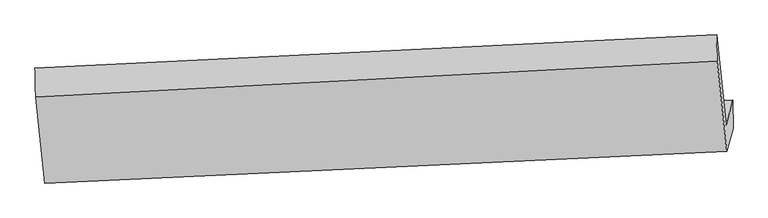
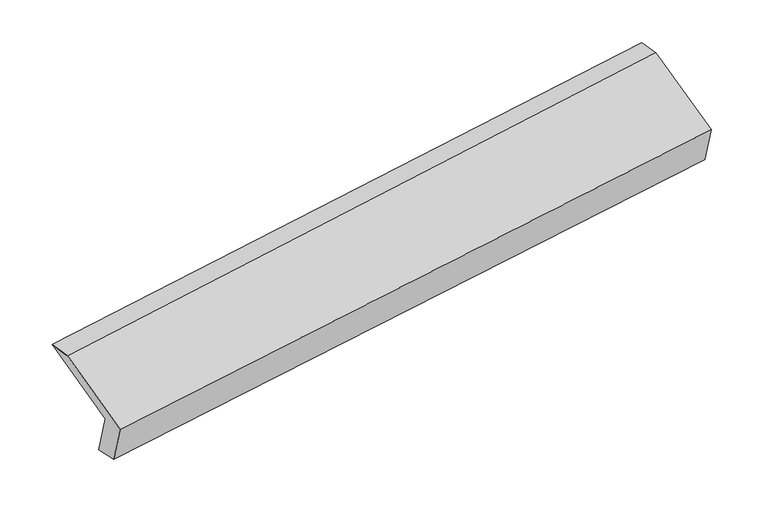
"""IFC4 building model written with IfcOpenShell, lengths in millimetres: proxy geometry."""

from ifc_helpers import new_model, si_unit, frame, origin, place, context, project, spatial, source, transform, mapped, element, save
from ifc_brep_helpers import plane_surface, spline_surface, advanced_brep


def generic_models_27a0fff2(model_context):
    return source(origin(), model_context, "Body", "AdvancedBrep", [
        advanced_brep(
        [(-5175.6202235, -1609.6688713, 1232.2667324), (-5221.0533012, -1777.7468521, 1604.6044951), (-491.9728875, -1564.9282898, 2288.7605705), (-445.4344762, -1392.7611688, 1907.3642666), (-5172.5572956, -1806.7637066, 1271.6998758), (-443.6689393, -1589.1930671, 1955.7385439), (-5216.8850398, -1970.7525471, 1634.9790972), (-487.1985924, -1750.2293992, 2312.477168), (-5280.2744803, -1373.3868132, 1896.902702), (-553.8917432, -1121.7303508, 2588.0516226), (-5285.4100201, -1171.2657357, 1870.5248705), (-558.2641632, -940.2164085, 2562.6744871)],
        [
            (0, 1),
            (1, 2),
            (2, 3),
            (3, 0),
            (4, 0),
            (3, 5),
            (5, 4),
            (6, 4),
            (5, 7),
            (7, 6),
            (8, 6),
            (7, 9),
            (9, 8),
            (10, 8),
            (9, 11),
            (11, 10),
            (1, 10),
            (11, 2),
        ],
        [
            plane_surface(frame((-5198.3367624, -1693.7078617, 1418.4356138), z_axis=(-0.09879567749157003, 0.9114454225128464, 0.3993828437594191), x_axis=(-0.11053335199449678, -0.40891402328492843, 0.9058541271406747))),
            spline_surface(1, 1, [[(-5172.5572956, -1806.7637066, 1271.6998758), (-443.6689393, -1589.1930671, 1955.7385439)], [(-5175.6202235, -1609.6688713, 1232.2667324), (-445.4344762, -1392.7611688, 1907.3642666)]], [2, 2], [2, 2], [0.0, 1.0], [0.0, 1.0]),
            plane_surface(frame((-5194.7211677, -1888.7581269, 1453.3394865), z_axis=(0.09968540247448673, -0.9114042524980153, -0.3992556938379634), x_axis=(0.11053335199453929, 0.40891402328493237, -0.9058541271406678))),
            plane_surface(frame((-5248.5797601, -1672.0696801, 1765.9408996), z_axis=(-0.11068872714403177, -0.4089208423791852, 0.9058320762432361), x_axis=(0.09672784341392258, -0.9115382433260374, -0.3996770637184145))),
            spline_surface(1, 1, [[(-5285.4100201, -1171.2657357, 1870.5248705), (-558.2641632, -940.2164085, 2562.6744871)], [(-5280.2744803, -1373.3868132, 1896.902702), (-553.8917432, -1121.7303508, 2588.0516226)]], [2, 2], [2, 2], [0.0, 1.0], [0.0, 1.0]),
            plane_surface(frame((-5253.2316607, -1474.5062939, 1737.5646828), z_axis=(0.11260115589943417, 0.40900395817121765, -0.9055588009016247), x_axis=(-0.096727843413918, 0.9115382433260413, 0.3996770637184069))),
            plane_surface(frame((-496.7384669, -1393.1764474, 2269.1777764), z_axis=(0.9891542359032505, 0.043443670597786616, 0.14030874912010294), x_axis=(0.09672784341392258, -0.9115382433260374, -0.3996770637184145))),
            plane_surface(frame((-5225.3000601, -1618.2640877, 1585.1629622), z_axis=(-0.9891542359032587, -0.043443670597775604, -0.14030874912004937), x_axis=(0.11053335199449514, 0.40891402328492776, -0.9058541271406754))),
        ],
        [
            (0, [[1, 2, 3, 4]]),
            (1, [[5, -4, 6, 7]]),
            (2, [[8, -7, 9, 10]]),
            (3, [[11, -10, 12, 13]]),
            (4, [[14, -13, 15, 16]]),
            (5, [[17, -16, 18, -2]]),
            (6, [[-12, -9, -6, -3, -18, -15]]),
            (7, [[-1, -5, -8, -11, -14, -17]]),
        ],
    ),
    ])


if __name__ == "__main__":
    model = new_model("IFC4")
    model_context = context("Model", 3, world=origin())
    ifc_project = project(units=[si_unit("LENGTHUNIT", "METRE", prefix="MILLI")], contexts=[model_context])
    site = spatial("IfcSite", under=ifc_project)
    building = spatial("IfcBuilding", under=site)
    placement = place(None, origin())
    generic_models_shape = generic_models_27a0fff2(model_context)
    element("IfcBuildingElementProxy", 1, Name="Generic Models", at=placement, inside=building, context=model_context, shape_type="MappedRepresentation", body=[
        mapped(generic_models_shape, transform((0.0, 0.0, 0.0), x_axis=(1.0, 0.0, 0.0), y_axis=(0.0, 1.0, 0.0), z_axis=(0.0, 0.0, 1.0))),
    ])
    save(model, "model.ifc")
